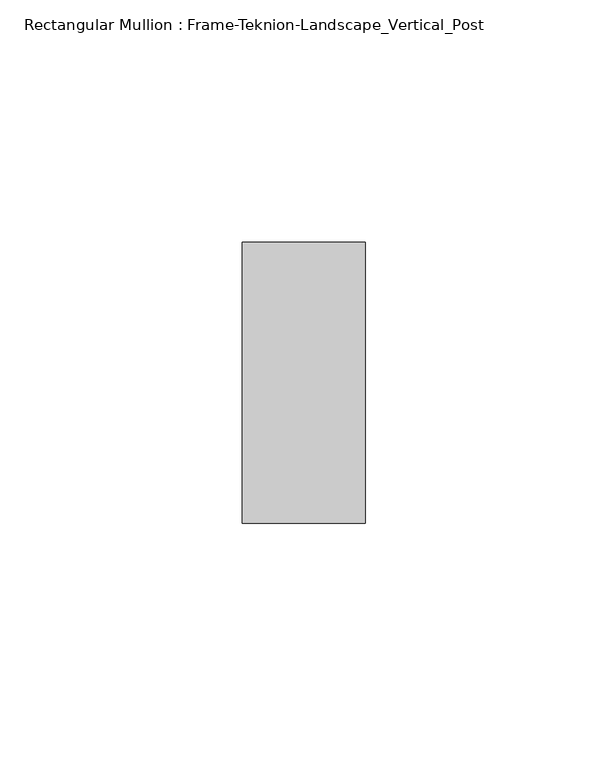
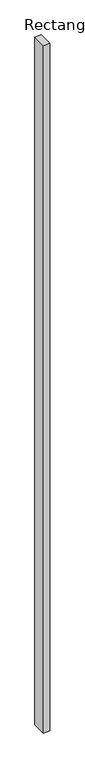
"""IFC4 building model written with IfcOpenShell, lengths in millimetres: member geometry, Rectangular Mullion : Frame-Teknion-Landscape_Vertical_Post."""

from ifc_helpers import new_model, si_unit, frame, origin, place, context, project, spatial, polyline, outline, extrude, source, transform, mapped, element, save


def rectangular_mullion_frame_teknion_landscape_vertical_post_c931d6df(model_context):
    return source(origin(), model_context, "Body", "SweptSolid", [
        extrude(outline(polyline([(12.7, 28.971875), (12.7, -28.971875), (-12.7, -28.971875), (-12.7, 28.971875), (12.7, 28.971875)])), frame((0.0, 0.0, -2844.8), z_axis=(0.0, 0.0, 1.0), x_axis=(1.0, 0.0, 0.0)), (0.0, 0.0, 1.0), 2844.8),
    ])


if __name__ == "__main__":
    model = new_model("IFC4")
    model_context = context("Model", 3, world=origin())
    ifc_project = project(units=[si_unit("LENGTHUNIT", "METRE", prefix="MILLI")], contexts=[model_context])
    site = spatial("IfcSite", under=ifc_project)
    building = spatial("IfcBuilding", under=site)
    placement = place(None, origin())
    rectangular_mullion_frame_teknion_landscape_vertical_post_shape = rectangular_mullion_frame_teknion_landscape_vertical_post_c931d6df(model_context)
    element("IfcMember", 1, ObjectType="Rectangular Mullion : Frame-Teknion-Landscape_Vertical_Post", at=placement, inside=building, context=model_context, shape_type="MappedRepresentation", body=[
        mapped(rectangular_mullion_frame_teknion_landscape_vertical_post_shape, transform((0.0, 0.0, 0.0), x_axis=(1.0, 0.0, 0.0), y_axis=(0.0, 1.0, 0.0), z_axis=(0.0, 0.0, 1.0))),
    ])
    save(model, "model.ifc")
